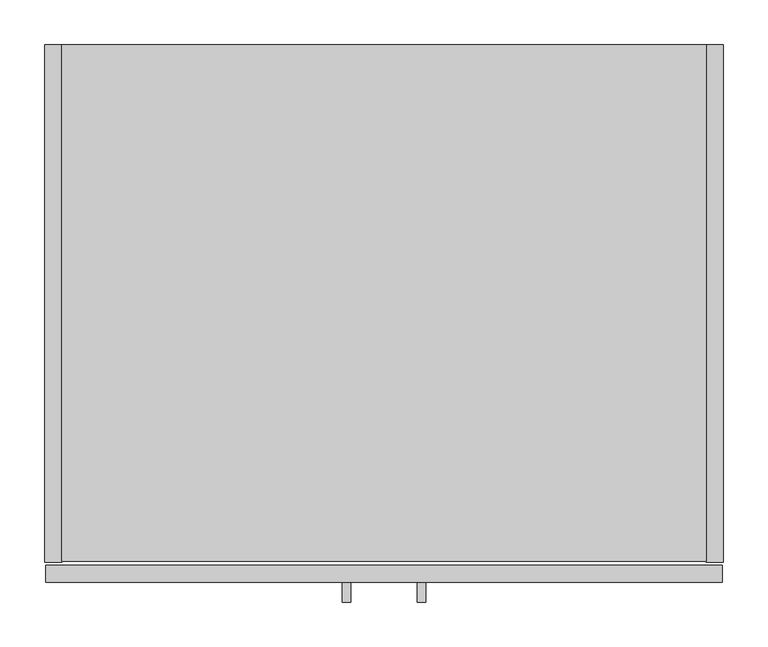
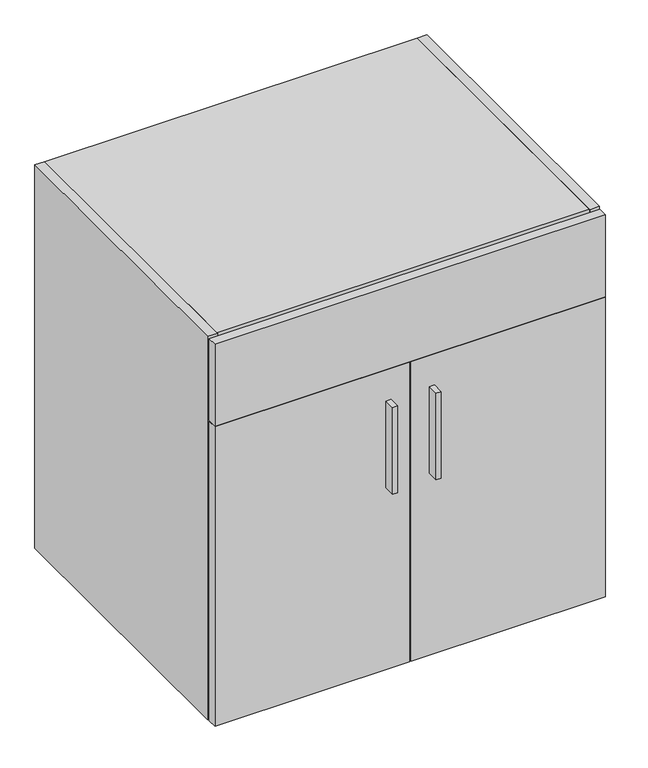
"""IFC4 building model written with IfcOpenShell, lengths in millimetres: furniture geometry."""

from ifc_helpers import new_model, si_unit, frame, origin, place, context, project, spatial, polyline, outline, extrude, source, transform, mapped, element, save


def furniture_51759cff(model_context):
    return source(origin(), model_context, "Body", "SweptSolid", [
        extrude(outline(polyline([(343.5338631, -625.729), (334.0088631, -625.729), (334.0088631, -603.504), (343.5338631, -603.504), (343.5338631, -625.729)])), frame((0.0, 0.0, 475.2467), z_axis=(0.0, 0.0, 1.0), x_axis=(1.0, 0.0, 0.0)), (0.0, 0.0, 1.0), 177.8),
        extrude(outline(polyline([(427.9888631, -625.729), (418.4638631, -625.729), (418.4638631, -603.504), (427.9888631, -603.504), (427.9888631, -625.729)])), frame((0.0, 0.0, 475.2467), z_axis=(0.0, 0.0, 1.0), x_axis=(1.0, 0.0, 0.0)), (0.0, 0.0, 1.0), 177.8),
        extrude(outline(polyline([(742.696, 0.0), (742.696, -19.304), (19.304, -19.304), (19.304, 0.0), (742.696, 0.0)])), frame((0.0, 0.0, 120.904), z_axis=(0.0, 0.0, 1.0), x_axis=(1.0, 0.0, 0.0)), (0.0, 0.0, 1.0), 748.792),
        extrude(outline(polyline([(742.696, -580.0344), (19.304, -580.0344), (19.304, 0.0), (742.696, 0.0), (742.696, -580.0344)])), frame((0.0, 0.0, 869.696), z_axis=(0.0, 0.0, 1.0), x_axis=(1.0, 0.0, 0.0)), (0.0, 0.0, 1.0), 19.304),
        extrude(outline(polyline([(19.304, 0.0), (19.304, -581.025), (0.0, -581.025), (0.0, 0.0), (19.304, 0.0)])), frame((0.0, 0.0, 101.6), z_axis=(0.0, 0.0, 1.0), x_axis=(1.0, 0.0, 0.0)), (0.0, 0.0, 1.0), 787.4),
        extrude(outline(polyline([(742.696, 0.0), (762.0, 0.0), (762.0, -581.025), (742.696, -581.025), (742.696, 0.0)])), frame((0.0, 0.0, 101.6), z_axis=(0.0, 0.0, 1.0), x_axis=(1.0, 0.0, 0.0)), (0.0, 0.0, 1.0), 787.4),
        extrude(outline(polyline([(742.696, 0.0), (742.696, -580.0344), (19.304, -580.0344), (19.304, 0.0), (742.696, 0.0)])), frame((0.0, 0.0, 101.6), z_axis=(0.0, 0.0, 1.0), x_axis=(1.0, 0.0, 0.0)), (0.0, 0.0, 1.0), 19.304),
        extrude(outline(polyline([(760.4125, -603.504), (382.5875, -603.504), (382.5875, -584.2), (760.4125, -584.2), (760.4125, -603.504)])), frame((0.0, 0.0, 101.6), z_axis=(0.0, 0.0, 1.0), x_axis=(1.0, 0.0, 0.0)), (0.0, 0.0, 1.0), 614.9467),
        extrude(outline(polyline([(379.4125, -603.504), (1.5875, -603.504), (1.5875, -584.2), (379.4125, -584.2), (379.4125, -603.504)])), frame((0.0, 0.0, 101.6), z_axis=(0.0, 0.0, 1.0), x_axis=(1.0, 0.0, 0.0)), (0.0, 0.0, 1.0), 614.9467),
        extrude(outline(polyline([(760.4125, -603.504), (1.5875, -603.504), (1.5875, -584.2), (760.4125, -584.2), (760.4125, -603.504)])), frame((0.0, 0.0, 718.1342), z_axis=(0.0, 0.0, 1.0), x_axis=(1.0, 0.0, 0.0)), (0.0, 0.0, 1.0), 167.6908),
    ])


if __name__ == "__main__":
    model = new_model("IFC4")
    model_context = context("Model", 3, world=origin())
    ifc_project = project(units=[si_unit("LENGTHUNIT", "METRE", prefix="MILLI")], contexts=[model_context])
    site = spatial("IfcSite", under=ifc_project)
    building = spatial("IfcBuilding", under=site)
    placement = place(None, origin())
    furniture_shape = furniture_51759cff(model_context)
    element("IfcFurniture", 1, at=placement, inside=building, context=model_context, shape_type="MappedRepresentation", body=[
        mapped(furniture_shape, transform((0.0, 0.0, 0.0), x_axis=(1.0, 0.0, 0.0), y_axis=(0.0, 1.0, 0.0), z_axis=(0.0, 0.0, 1.0))),
    ])
    save(model, "model.ifc")
